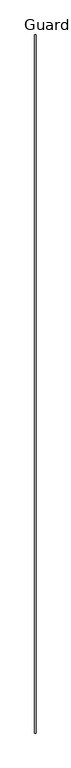
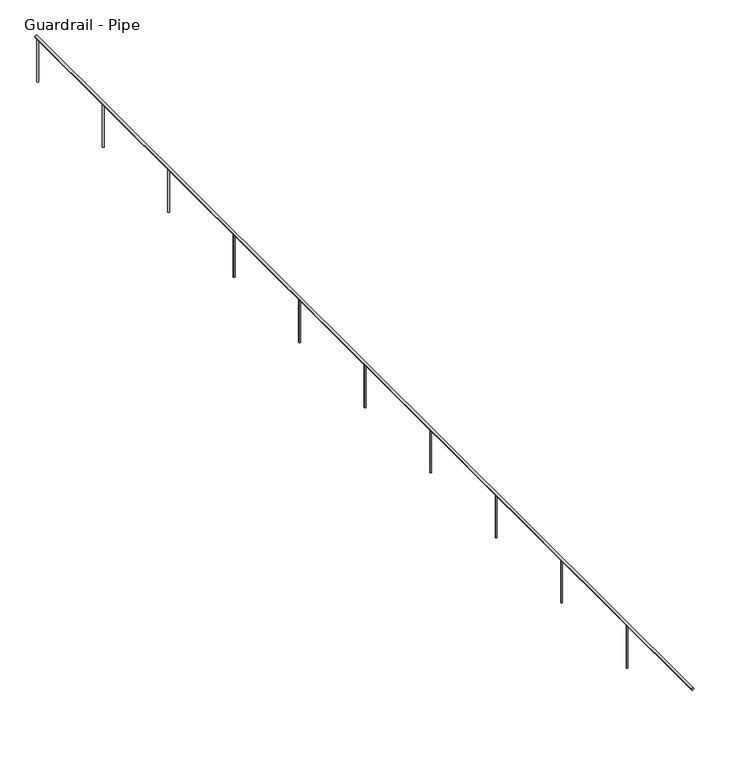
"""IFC4 building model written with IfcOpenShell, lengths in millimetres: railing geometry, Guardrail - Pipe."""

from ifc_helpers import new_model, si_unit, point, frame, frame_2d, origin, origin_with_axes, place, context, project, spatial, circle_curve, trimmed, segment, composite_curve, outline, extrude, source, transform, mapped, element, save


def guardrail_pipe_8573f03c(model_context):
    return source(origin(), model_context, "Body", "SweptSolid", [
        extrude(outline(composite_curve([segment(trimmed(circle_curve(frame_2d((742.95, 372657.4754676)), 19.05), [point((742.95, 372676.5254676))], [point((742.95, 372638.4254676))], False, "CARTESIAN"), True, "CONTINUOUS"), segment(trimmed(circle_curve(frame_2d((742.95, 372657.4754676)), 19.05), [point((742.95, 372638.4254676))], [point((742.95, 372676.5254676))], False, "CARTESIAN"), True, "CONTINUOUS")], self_intersect=False)), frame((0.0, -295021.8080223, 0.0), z_axis=(0.0, 1.0, 0.0), x_axis=(0.0, 0.0, 1.0)), (0.0, 0.0, 1.0), 18333.24375),
        extrude(outline(composite_curve([segment(trimmed(circle_curve(frame_2d((372657.4754676, -276733.8080223)), 12.7), [point((372670.1754676, -276733.8080223))], [point((372644.7754676, -276733.8080223))], False, "CARTESIAN"), True, "CONTINUOUS"), segment(trimmed(circle_curve(frame_2d((372657.4754676, -276733.8080223)), 12.7), [point((372644.7754676, -276733.8080223))], [point((372670.1754676, -276733.8080223))], False, "CARTESIAN"), True, "CONTINUOUS")], self_intersect=False)), origin_with_axes(), (0.0, 0.0, 1.0), 723.9),
        extrude(outline(composite_curve([segment(trimmed(circle_curve(frame_2d((372657.4754676, -278562.6080223)), 12.7), [point((372670.1754676, -278562.6080223))], [point((372644.7754676, -278562.6080223))], False, "CARTESIAN"), True, "CONTINUOUS"), segment(trimmed(circle_curve(frame_2d((372657.4754676, -278562.6080223)), 12.7), [point((372644.7754676, -278562.6080223))], [point((372670.1754676, -278562.6080223))], False, "CARTESIAN"), True, "CONTINUOUS")], self_intersect=False)), origin_with_axes(), (0.0, 0.0, 1.0), 723.9),
        extrude(outline(composite_curve([segment(trimmed(circle_curve(frame_2d((372657.4754676, -280391.4080223)), 12.7), [point((372670.1754676, -280391.4080223))], [point((372644.7754676, -280391.4080223))], False, "CARTESIAN"), True, "CONTINUOUS"), segment(trimmed(circle_curve(frame_2d((372657.4754676, -280391.4080223)), 12.7), [point((372644.7754676, -280391.4080223))], [point((372670.1754676, -280391.4080223))], False, "CARTESIAN"), True, "CONTINUOUS")], self_intersect=False)), origin_with_axes(), (0.0, 0.0, 1.0), 723.9),
        extrude(outline(composite_curve([segment(trimmed(circle_curve(frame_2d((372657.4754676, -282220.2080223)), 12.7), [point((372670.1754676, -282220.2080223))], [point((372644.7754676, -282220.2080223))], False, "CARTESIAN"), True, "CONTINUOUS"), segment(trimmed(circle_curve(frame_2d((372657.4754676, -282220.2080223)), 12.7), [point((372644.7754676, -282220.2080223))], [point((372670.1754676, -282220.2080223))], False, "CARTESIAN"), True, "CONTINUOUS")], self_intersect=False)), origin_with_axes(), (0.0, 0.0, 1.0), 723.9),
        extrude(outline(composite_curve([segment(trimmed(circle_curve(frame_2d((372657.4754676, -284049.0080223)), 12.7), [point((372670.1754676, -284049.0080223))], [point((372644.7754676, -284049.0080223))], False, "CARTESIAN"), True, "CONTINUOUS"), segment(trimmed(circle_curve(frame_2d((372657.4754676, -284049.0080223)), 12.7), [point((372644.7754676, -284049.0080223))], [point((372670.1754676, -284049.0080223))], False, "CARTESIAN"), True, "CONTINUOUS")], self_intersect=False)), origin_with_axes(), (0.0, 0.0, 1.0), 723.9),
        extrude(outline(composite_curve([segment(trimmed(circle_curve(frame_2d((372657.4754676, -285877.8080223)), 12.7), [point((372670.1754676, -285877.8080223))], [point((372644.7754676, -285877.8080223))], False, "CARTESIAN"), True, "CONTINUOUS"), segment(trimmed(circle_curve(frame_2d((372657.4754676, -285877.8080223)), 12.7), [point((372644.7754676, -285877.8080223))], [point((372670.1754676, -285877.8080223))], False, "CARTESIAN"), True, "CONTINUOUS")], self_intersect=False)), origin_with_axes(), (0.0, 0.0, 1.0), 723.9),
        extrude(outline(composite_curve([segment(trimmed(circle_curve(frame_2d((372657.4754676, -287706.6080223)), 12.7), [point((372670.1754676, -287706.6080223))], [point((372644.7754676, -287706.6080223))], False, "CARTESIAN"), True, "CONTINUOUS"), segment(trimmed(circle_curve(frame_2d((372657.4754676, -287706.6080223)), 12.7), [point((372644.7754676, -287706.6080223))], [point((372670.1754676, -287706.6080223))], False, "CARTESIAN"), True, "CONTINUOUS")], self_intersect=False)), origin_with_axes(), (0.0, 0.0, 1.0), 723.9),
        extrude(outline(composite_curve([segment(trimmed(circle_curve(frame_2d((372657.4754676, -289535.4080223)), 12.7), [point((372670.1754676, -289535.4080223))], [point((372644.7754676, -289535.4080223))], False, "CARTESIAN"), True, "CONTINUOUS"), segment(trimmed(circle_curve(frame_2d((372657.4754676, -289535.4080223)), 12.7), [point((372644.7754676, -289535.4080223))], [point((372670.1754676, -289535.4080223))], False, "CARTESIAN"), True, "CONTINUOUS")], self_intersect=False)), origin_with_axes(), (0.0, 0.0, 1.0), 723.9),
        extrude(outline(composite_curve([segment(trimmed(circle_curve(frame_2d((372657.4754676, -291364.2080223)), 12.7), [point((372670.1754676, -291364.2080223))], [point((372644.7754676, -291364.2080223))], False, "CARTESIAN"), True, "CONTINUOUS"), segment(trimmed(circle_curve(frame_2d((372657.4754676, -291364.2080223)), 12.7), [point((372644.7754676, -291364.2080223))], [point((372670.1754676, -291364.2080223))], False, "CARTESIAN"), True, "CONTINUOUS")], self_intersect=False)), origin_with_axes(), (0.0, 0.0, 1.0), 723.9),
        extrude(outline(composite_curve([segment(trimmed(circle_curve(frame_2d((372657.4754676, -293193.0080223)), 12.7), [point((372670.1754676, -293193.0080223))], [point((372644.7754676, -293193.0080223))], False, "CARTESIAN"), True, "CONTINUOUS"), segment(trimmed(circle_curve(frame_2d((372657.4754676, -293193.0080223)), 12.7), [point((372644.7754676, -293193.0080223))], [point((372670.1754676, -293193.0080223))], False, "CARTESIAN"), True, "CONTINUOUS")], self_intersect=False)), origin_with_axes(), (0.0, 0.0, 1.0), 723.9),
    ])


if __name__ == "__main__":
    model = new_model("IFC4")
    model_context = context("Model", 3, world=origin())
    ifc_project = project(units=[si_unit("LENGTHUNIT", "METRE", prefix="MILLI")], contexts=[model_context])
    site = spatial("IfcSite", under=ifc_project)
    building = spatial("IfcBuilding", under=site)
    placement = place(None, origin())
    guardrail_pipe_shape = guardrail_pipe_8573f03c(model_context)
    element("IfcRailing", 1, ObjectType="Guardrail - Pipe", at=placement, inside=building, context=model_context, shape_type="MappedRepresentation", body=[
        mapped(guardrail_pipe_shape, transform((0.0, 0.0, 0.0), x_axis=(1.0, 0.0, 0.0), y_axis=(0.0, 1.0, 0.0), z_axis=(0.0, 0.0, 1.0))),
    ])
    save(model, "model.ifc")
